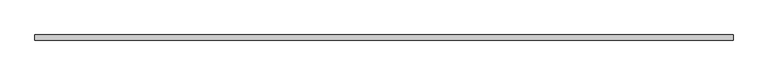
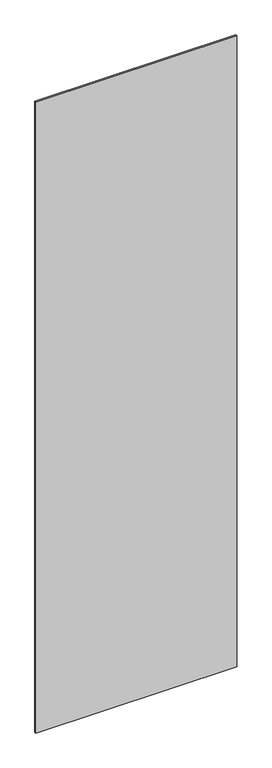
"""IFC4 building model written with IfcOpenShell, lengths in millimetres: plate geometry."""

from ifc_helpers import new_model, si_unit, origin, origin_with_axes, place, context, project, spatial, polyline, outline, extrude, source, transform, mapped, element, save


def plate_c0075518(model_context):
    return source(origin(), model_context, "Body", "SweptSolid", [
        extrude(outline(polyline([(656.875, -5.0), (-656.875, -5.0), (-656.875, 5.0), (656.875, 5.0), (656.875, -5.0)])), origin_with_axes(), (0.0, 0.0, 1.0), 4360.0),
    ])


if __name__ == "__main__":
    model = new_model("IFC4")
    model_context = context("Model", 3, world=origin())
    ifc_project = project(units=[si_unit("LENGTHUNIT", "METRE", prefix="MILLI")], contexts=[model_context])
    site = spatial("IfcSite", under=ifc_project)
    building = spatial("IfcBuilding", under=site)
    placement = place(None, origin())
    plate_shape = plate_c0075518(model_context)
    element("IfcPlate", 1, at=placement, inside=building, context=model_context, shape_type="MappedRepresentation", body=[
        mapped(plate_shape, transform((0.0, 0.0, 0.0), x_axis=(1.0, 0.0, 0.0), y_axis=(0.0, 1.0, 0.0), z_axis=(0.0, 0.0, 1.0))),
    ])
    save(model, "model.ifc")
